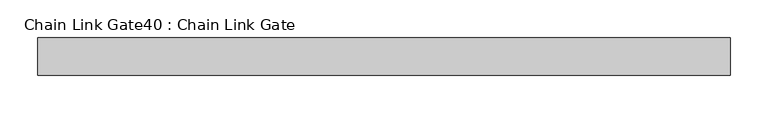
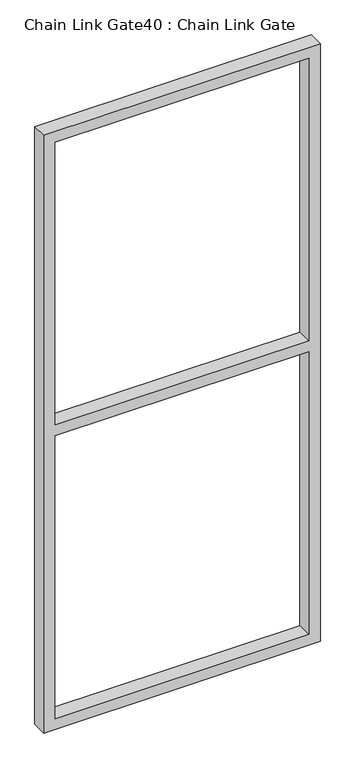
"""IFC4 building model written with IfcOpenShell, lengths in millimetres: proxy geometry, Chain Link Gate40 : Chain Link Gate."""

from ifc_helpers import new_model, si_unit, frame, origin, place, context, project, spatial, polyline, outline, extrude, source, transform, mapped, element, save


def chain_link_gate40_chain_link_gate_fcdf1130(model_context):
    return source(origin(), model_context, "Body", "SweptSolid", [
        extrude(outline(polyline([(2120.9, -8534.2695328), (12.7, -8534.2695328), (12.7, -7610.3445328), (2120.9, -7610.3445328), (2120.9, -8534.2695328)]), holes=[polyline([(2082.8, -8496.1695328), (2082.8, -7648.4445328), (1085.85, -7648.4445328), (1085.85, -8496.1695328), (2082.8, -8496.1695328)]), polyline([(1047.75, -7648.4445328), (50.8, -7648.4445328), (50.8, -8496.1695328), (1047.75, -8496.1695328), (1047.75, -7648.4445328)])]), frame((0.0, -45539.6797278, 0.0), z_axis=(0.0, 1.0, 0.0), x_axis=(0.0, 0.0, 1.0)), (0.0, 0.0, 1.0), 50.1314753),
    ])


if __name__ == "__main__":
    model = new_model("IFC4")
    model_context = context("Model", 3, world=origin())
    ifc_project = project(units=[si_unit("LENGTHUNIT", "METRE", prefix="MILLI")], contexts=[model_context])
    site = spatial("IfcSite", under=ifc_project)
    building = spatial("IfcBuilding", under=site)
    placement = place(None, origin())
    chain_link_gate40_chain_link_gate_shape = chain_link_gate40_chain_link_gate_fcdf1130(model_context)
    element("IfcBuildingElementProxy", 1, Name="Chain Link Gate40 : Chain Link Gate", ObjectType="Chain Link Gate40 : Chain Link Gate", at=placement, inside=building, context=model_context, shape_type="MappedRepresentation", body=[
        mapped(chain_link_gate40_chain_link_gate_shape, transform((0.0, 0.0, 0.0), x_axis=(1.0, 0.0, 0.0), y_axis=(0.0, 1.0, 0.0), z_axis=(0.0, 0.0, 1.0))),
    ])
    save(model, "model.ifc")
